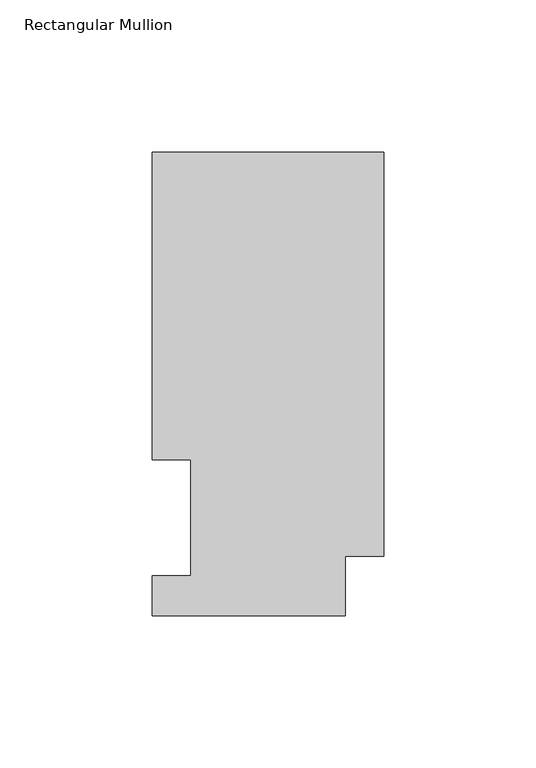
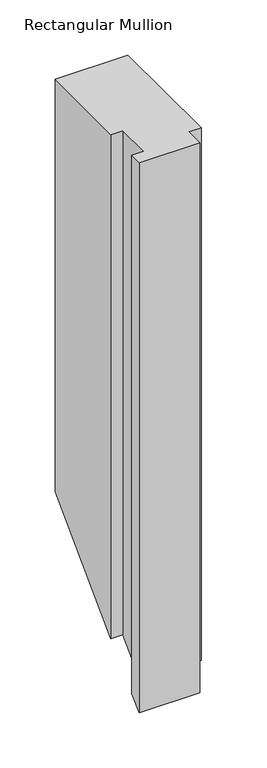
"""IFC4 building model written with IfcOpenShell, lengths in millimetres: member geometry, Rectangular Mullion."""

from ifc_helpers import new_model, si_unit, origin, place, context, project, spatial, faceted_brep, source, transform, mapped, element, save


def rectangular_mullion_103ee5ac(model_context):
    return source(origin(), model_context, "Body", "Brep", [
        faceted_brep([(-76.2, 13.1960938, 0.0), (-76.2, 0.0134938, 0.0), (-12.7, 0.0134938, 0.0), (-12.7, 19.5460937, 0.0), (0.0, 19.5460937, 0.0), (0.0, 152.4896938, 0.0), (-76.2, 152.4896938, 0.0), (-76.2, 51.2960938, 0.0), (-63.5127, 51.2960938, 0.0), (-63.5127, 13.1960938, 0.0), (-76.2, 13.1960938, -596.3721562), (-76.2, 0.0134938, -609.5547562), (-12.7, 0.0134938, -609.5547562), (-12.7, 19.5460937, -590.0221563), (0.0, 19.5460937, -590.0221563), (0.0, 152.4896938, -457.0785563), (-76.2, 152.4896938, -457.0785563), (-76.2, 51.2960938, -558.2721563), (-63.5127, 51.2960938, -558.2721563), (-63.5127, 13.1960938, -596.3721562)], [[[0, 1, 2, 3, 4, 5, 6, 7, 8, 9]], [[1, 0, 10, 11]], [[2, 1, 11, 12]], [[3, 2, 12, 13]], [[4, 3, 13, 14]], [[5, 4, 14, 15]], [[6, 5, 15, 16]], [[7, 6, 16, 17]], [[8, 7, 17, 18]], [[9, 8, 18, 19]], [[0, 9, 19, 10]], [[10, 19, 18, 17, 16, 15, 14, 13, 12, 11]]]),
    ])


if __name__ == "__main__":
    model = new_model("IFC4")
    model_context = context("Model", 3, world=origin())
    ifc_project = project(units=[si_unit("LENGTHUNIT", "METRE", prefix="MILLI")], contexts=[model_context])
    site = spatial("IfcSite", under=ifc_project)
    building = spatial("IfcBuilding", under=site)
    placement = place(None, origin())
    rectangular_mullion_shape = rectangular_mullion_103ee5ac(model_context)
    element("IfcMember", 1, ObjectType="Rectangular Mullion", at=placement, inside=building, context=model_context, shape_type="MappedRepresentation", body=[
        mapped(rectangular_mullion_shape, transform((0.0, 0.0, 0.0), x_axis=(1.0, 0.0, 0.0), y_axis=(0.0, 1.0, 0.0), z_axis=(0.0, 0.0, 1.0))),
    ])
    save(model, "model.ifc")
